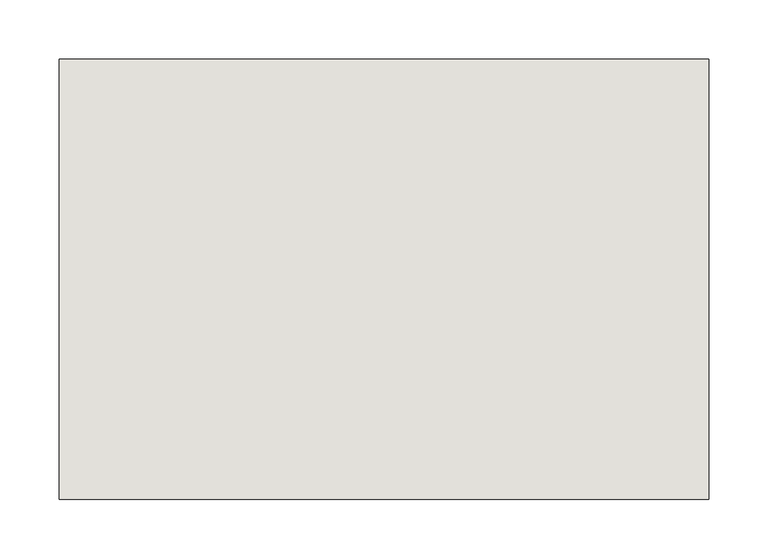
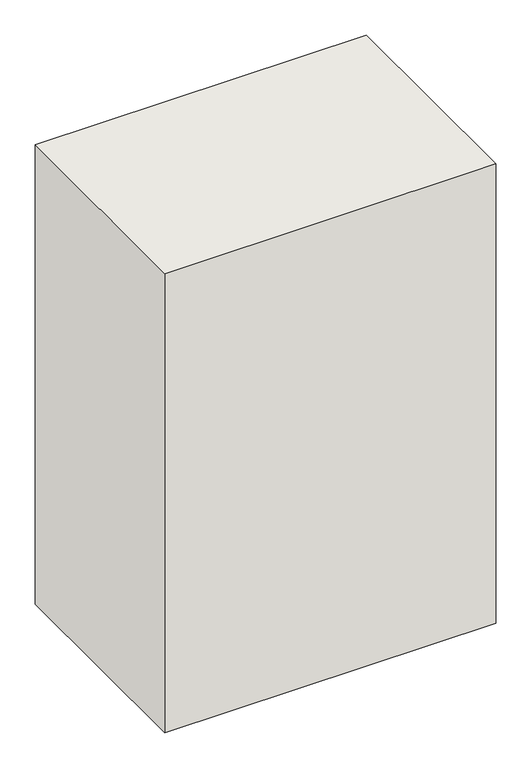
"""IFC4 building model written with IfcOpenShell, lengths in millimetres: wall geometry."""

from ifc_helpers import new_model, si_unit, frame, origin, place, context, project, spatial, polyline, outline, extrude, source, transform, mapped, element, save


def wall_a614080b(model_context):
    return source(origin(), model_context, "Body", "SweptSolid", [
        extrude(outline(polyline([(4085.2402038, -12461.6353377), (4085.2402038, -12831.6353377), (3539.7402038, -12831.6353377), (3539.7402038, -12461.6353377), (4085.2402038, -12461.6353377)])), frame((0.0, 0.0, 300.0), z_axis=(0.0, 0.0, 1.0), x_axis=(1.0, 0.0, 0.0)), (0.0, 0.0, 1.0), 800.0),
    ])


if __name__ == "__main__":
    model = new_model("IFC4")
    model_context = context("Model", 3, world=origin())
    ifc_project = project(units=[si_unit("LENGTHUNIT", "METRE", prefix="MILLI")], contexts=[model_context])
    site = spatial("IfcSite", under=ifc_project)
    building = spatial("IfcBuilding", under=site)
    placement = place(None, origin())
    wall_shape = wall_a614080b(model_context)
    element("IfcWall", 1, at=placement, inside=building, context=model_context, shape_type="MappedRepresentation", body=[
        mapped(wall_shape, transform((0.0, 0.0, 0.0), x_axis=(1.0, 0.0, 0.0), y_axis=(0.0, 1.0, 0.0), z_axis=(0.0, 0.0, 1.0))),
    ])
    save(model, "model.ifc")
